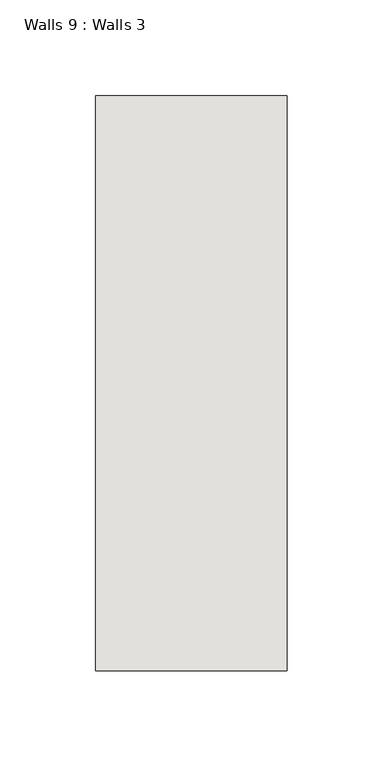
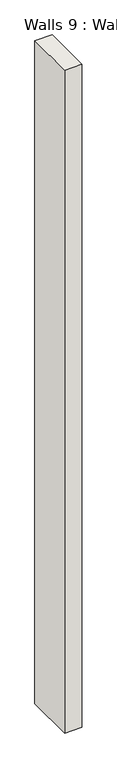
"""IFC4 building model written with IfcOpenShell, lengths in millimetres: wall geometry, Walls 9 : Walls 3."""

from ifc_helpers import new_model, si_unit, origin, origin_with_axes, place, context, project, spatial, polyline, outline, extrude, source, transform, mapped, element, save


def walls_9_walls_3_15e779eb(model_context):
    return source(origin(), model_context, "Body", "SweptSolid", [
        extrude(outline(polyline([(-7412.3812655, 1518.41264), (-7412.3812655, 1818.41264), (-7312.3812655, 1818.41264), (-7312.3812655, 1518.41264), (-7412.3812655, 1518.41264)])), origin_with_axes(), (0.0, 0.0, 1.0), 4085.1192828),
    ])


if __name__ == "__main__":
    model = new_model("IFC4")
    model_context = context("Model", 3, world=origin())
    ifc_project = project(units=[si_unit("LENGTHUNIT", "METRE", prefix="MILLI")], contexts=[model_context])
    site = spatial("IfcSite", under=ifc_project)
    building = spatial("IfcBuilding", under=site)
    placement = place(None, origin())
    walls_9_walls_3_shape = walls_9_walls_3_15e779eb(model_context)
    element("IfcWall", 1, ObjectType="Walls 9 : Walls 3", at=placement, inside=building, context=model_context, shape_type="MappedRepresentation", body=[
        mapped(walls_9_walls_3_shape, transform((0.0, 0.0, 0.0), x_axis=(1.0, 0.0, 0.0), y_axis=(0.0, 1.0, 0.0), z_axis=(0.0, 0.0, 1.0))),
    ])
    save(model, "model.ifc")
